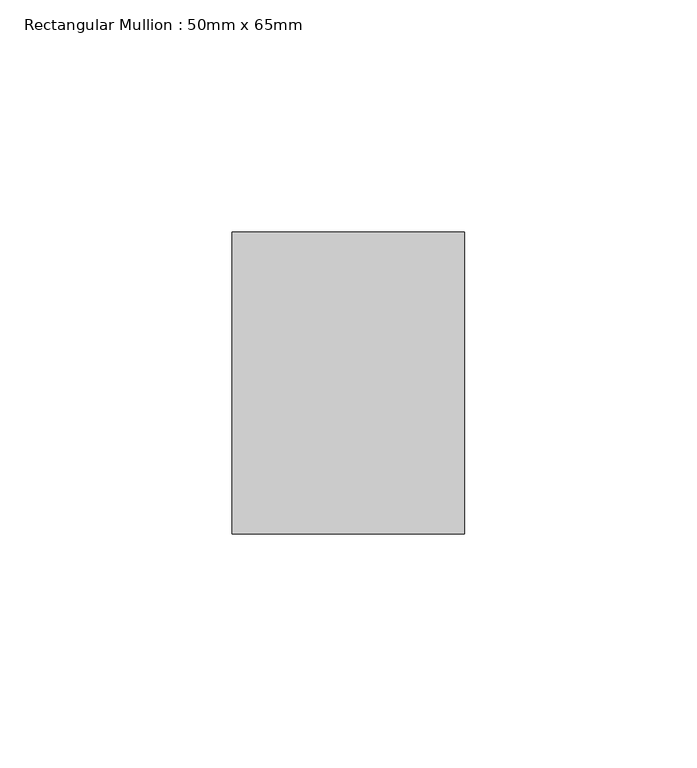
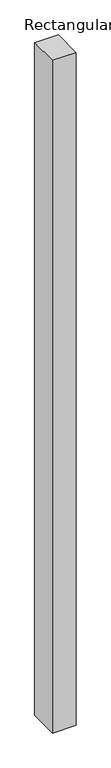
"""IFC4 building model written with IfcOpenShell, lengths in millimetres: member geometry, Rectangular Mullion : 50mm x 65mm."""

from ifc_helpers import new_model, si_unit, origin, place, context, project, spatial, faceted_brep, source, transform, mapped, element, save


def rectangular_mullion_50mm_x_65mm_a4387e1a(model_context):
    return source(origin(), model_context, "Body", "Brep", [
        faceted_brep([(-25.0, 32.5, -0.0443356), (25.0, 32.5, -0.0443354), (25.0, 32.5, -1499.9018786), (-25.0, 32.5, -1499.9018782), (-25.0, -32.5, 0.0443354), (-25.0, -32.5, -1500.098054), (25.0, -32.5, 0.0443356), (25.0, -32.5, -1500.0980543)], [[[0, 1, 2, 3]], [[4, 0, 3, 5]], [[6, 4, 5, 7]], [[1, 6, 7, 2]], [[1, 0, 4, 6]], [[2, 7, 5, 3]]]),
    ])


if __name__ == "__main__":
    model = new_model("IFC4")
    model_context = context("Model", 3, world=origin())
    ifc_project = project(units=[si_unit("LENGTHUNIT", "METRE", prefix="MILLI")], contexts=[model_context])
    site = spatial("IfcSite", under=ifc_project)
    building = spatial("IfcBuilding", under=site)
    placement = place(None, origin())
    rectangular_mullion_50mm_x_65mm_shape = rectangular_mullion_50mm_x_65mm_a4387e1a(model_context)
    element("IfcMember", 1, ObjectType="Rectangular Mullion : 50mm x 65mm", at=placement, inside=building, context=model_context, shape_type="MappedRepresentation", body=[
        mapped(rectangular_mullion_50mm_x_65mm_shape, transform((0.0, 0.0, 0.0), x_axis=(1.0, 0.0, 0.0), y_axis=(0.0, 1.0, 0.0), z_axis=(0.0, 0.0, 1.0))),
    ])
    save(model, "model.ifc")
